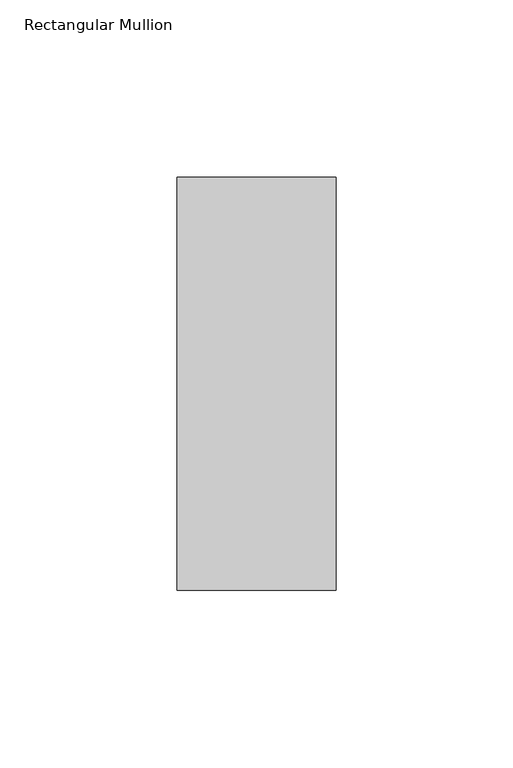
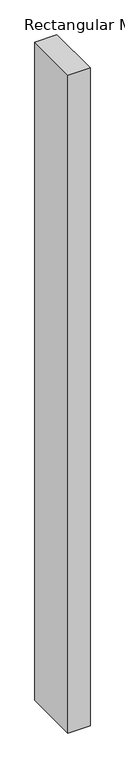
"""IFC4 building model written with IfcOpenShell, lengths in millimetres: member geometry, Rectangular Mullion."""

from ifc_helpers import new_model, si_unit, frame, origin, place, context, project, spatial, polyline, outline, extrude, source, transform, mapped, element, save


def rectangular_mullion_52f467c7(model_context):
    return source(origin(), model_context, "Body", "SweptSolid", [
        extrude(outline(polyline([(22.5226562, 73.875), (22.5226562, -42.8257813), (-22.5226562, -42.8257813), (-22.5226562, 73.875), (22.5226562, 73.875)])), frame((0.0, 0.0, -1418.6210113), z_axis=(0.0, 0.0, 1.0), x_axis=(1.0, 0.0, 0.0)), (0.0, 0.0, 1.0), 1418.6210113),
    ])


if __name__ == "__main__":
    model = new_model("IFC4")
    model_context = context("Model", 3, world=origin())
    ifc_project = project(units=[si_unit("LENGTHUNIT", "METRE", prefix="MILLI")], contexts=[model_context])
    site = spatial("IfcSite", under=ifc_project)
    building = spatial("IfcBuilding", under=site)
    placement = place(None, origin())
    rectangular_mullion_shape = rectangular_mullion_52f467c7(model_context)
    element("IfcMember", 1, ObjectType="Rectangular Mullion", at=placement, inside=building, context=model_context, shape_type="MappedRepresentation", body=[
        mapped(rectangular_mullion_shape, transform((0.0, 0.0, 0.0), x_axis=(1.0, 0.0, 0.0), y_axis=(0.0, 1.0, 0.0), z_axis=(0.0, 0.0, 1.0))),
    ])
    save(model, "model.ifc")
